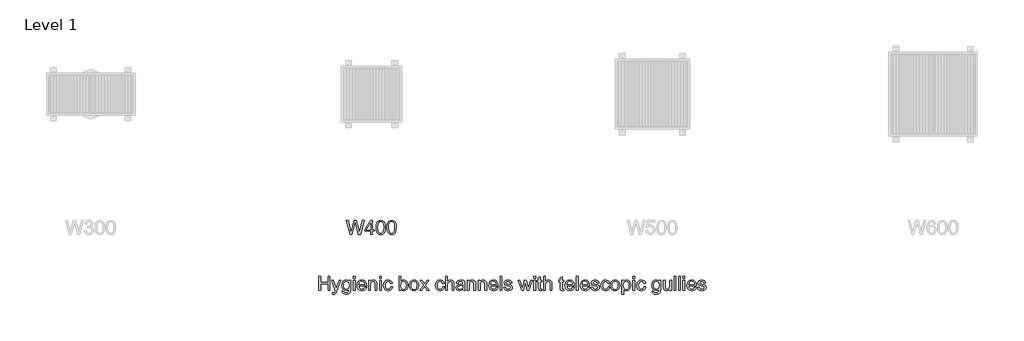
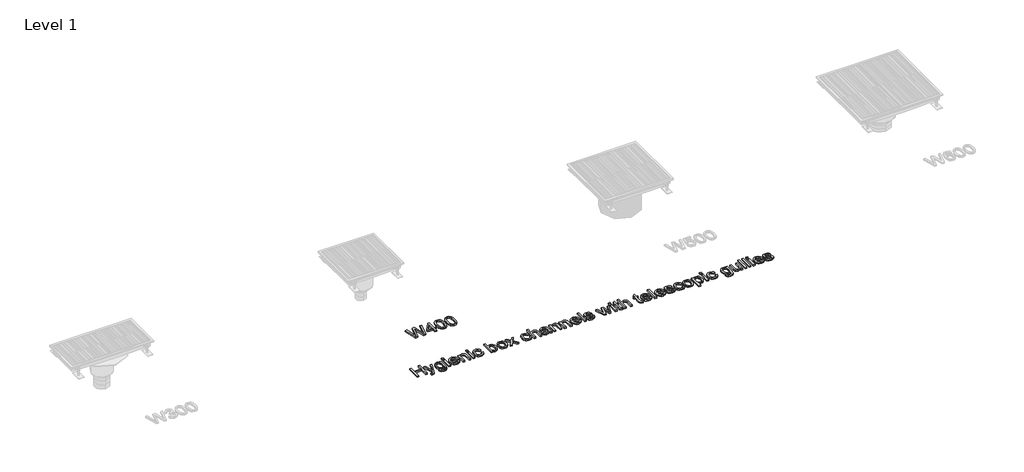
# One storey, part 2 of 4: 2 proxies.
"""IFC4 building model written with IfcOpenShell, lengths in millimetres."""

from ifc_helpers import new_model, si_unit, origin, origin_with_axes, place, context, project, spatial, polyline, outline, extrude, element, save

model = new_model("IFC4")

# Units and contexts
model_context = context("Model", 3, world=origin())
ifc_project = project(units=[si_unit("LENGTHUNIT", "METRE", prefix="MILLI")], contexts=[model_context])

# Site, building, storey
site = spatial("IfcSite", under=ifc_project)
building = spatial("IfcBuilding", under=site)
storey = spatial("IfcBuildingStorey", under=building, Name="Level 1", Elevation=0.0)

# Proxies
placement = place(None, origin())
element("IfcBuildingElementProxy", 1, Name="100mm ACO", ObjectType="100mm ACO", at=placement, inside=storey, context=model_context, shape_type="SweptSolid", body=[
    extrude(outline(polyline([(-297.2222222, -7200.0), (-310.1851852, -7200.0), (-310.1851852, -7151.8518519), (-362.037037, -7151.8518519), (-362.037037, -7200.0), (-375.0, -7200.0), (-375.0, -7100.0), (-362.037037, -7100.0), (-362.037037, -7140.7407407), (-310.1851852, -7140.7407407), (-310.1851852, -7100.0), (-297.2222222, -7100.0), (-297.2222222, -7200.0)])), origin_with_axes(), (0.0, 0.0, 1.0), 10.0),
    extrude(outline(polyline([(-219.4444444, -7127.7777778), (-246.6145833, -7201.9386574), (-255.6568287, -7221.2818287), (-261.7440683, -7226.1537905), (-269.9652778, -7227.7777778), (-277.5462963, -7226.6203704), (-278.7037037, -7216.6666667), (-272.1643519, -7218.5185185), (-263.3101852, -7214.5543981), (-257.4363426, -7201.0706019), (-284.2592593, -7127.7777778), (-272.5405093, -7127.7777778), (-254.9189815, -7173.8715278), (-251.5914352, -7184.8090278), (-246.6724537, -7171.1226852), (-231.1342593, -7127.7777778), (-219.4444444, -7127.7777778)])), origin_with_axes(), (0.0, 0.0, 1.0), 10.0),
    extrude(outline(polyline([(-149.0740741, -7189.3518519), (-152.1267361, -7211.9936343), (-162.9918981, -7223.6255787), (-181.6550926, -7227.7777778), (-192.8710938, -7226.3708044), (-202.0399306, -7222.1498843), (-208.1488715, -7214.7243924), (-210.1851852, -7203.7037037), (-197.2222222, -7205.7581019), (-192.650463, -7215.3211806), (-181.4525463, -7218.5185185), (-168.1423611, -7214.8292824), (-162.9774306, -7205.8449074), (-162.037037, -7191.2326389), (-170.8116319, -7197.8081597), (-181.6261574, -7200.0), (-194.0176505, -7197.3885995), (-203.7037037, -7189.5543981), (-209.9537037, -7177.7416088), (-212.037037, -7163.1944444), (-210.0549769, -7148.5532407), (-204.1087963, -7136.5740741), (-194.6614583, -7128.587963), (-182.1759259, -7125.9259259), (-171.1009838, -7128.3058449), (-162.2974537, -7135.4456019), (-162.037037, -7127.7777778), (-149.0740741, -7127.7777778), (-149.0740741, -7189.3518519)]), holes=[polyline([(-179.6875, -7190.7407407), (-172.4754051, -7189.134838), (-166.1168981, -7184.3171296), (-161.6681134, -7175.7233796), (-160.1851852, -7162.7893519), (-161.5993924, -7151.0018808), (-165.8420139, -7142.3177083), (-172.1679688, -7136.968316), (-179.8321759, -7135.1851852), (-187.5542535, -7137.0117187), (-193.7065972, -7142.4913194), (-197.7322049, -7151.1465567), (-199.0740741, -7162.5), (-197.6671007, -7175.2170139), (-193.4461806, -7183.9699074), (-187.1925637, -7189.0480324), (-179.6875, -7190.7407407)])]), origin_with_axes(), (0.0, 0.0, 1.0), 10.0),
    extrude(outline(polyline([(-117.5925926, -7112.962963), (-130.5555556, -7112.962963), (-130.5555556, -7100.0), (-117.5925926, -7100.0), (-117.5925926, -7112.962963)])), origin_with_axes(), (0.0, 0.0, 1.0), 10.0),
    extrude(outline(polyline([(-117.5925926, -7200.0), (-130.5555556, -7200.0), (-130.5555556, -7127.7777778), (-117.5925926, -7127.7777778), (-117.5925926, -7200.0)])), origin_with_axes(), (0.0, 0.0, 1.0), 10.0),
    extrude(outline(polyline([(-36.1111111, -7166.6666667), (-89.8148148, -7166.6666667), (-87.7423322, -7177.7922454), (-83.0295139, -7185.9375), (-76.2478299, -7190.9288194), (-67.96875, -7192.5925926), (-56.2934028, -7188.9033565), (-49.0740741, -7177.7777778), (-36.1111111, -7179.2824074), (-40.4875579, -7188.9033565), (-47.4247685, -7196.0069444), (-56.6695602, -7200.390625), (-67.96875, -7201.8518519), (-82.5557002, -7199.3453414), (-93.5619213, -7191.8258102), (-100.4738137, -7179.9660012), (-102.7777778, -7164.4386574), (-100.5570023, -7148.900463), (-93.8946759, -7136.6030093), (-83.1958912, -7128.5951968), (-68.8657407, -7125.9259259), (-53.6458333, -7129.3836806), (-41.2181713, -7141.1603009), (-37.3878762, -7151.6963252), (-36.1111111, -7166.6666667)]), holes=[polyline([(-49.0740741, -7157.4074074), (-51.1574074, -7147.2511574), (-55.9027778, -7140.3935185), (-69.1840278, -7135.1851852), (-77.0399306, -7136.7332176), (-83.3622685, -7141.3773148), (-89.8148148, -7157.4074074), (-49.0740741, -7157.4074074)])]), origin_with_axes(), (0.0, 0.0, 1.0), 10.0),
    extrude(outline(polyline([(37.962963, -7200.0), (25.0, -7200.0), (25.0, -7155.0347222), (21.1371528, -7139.4386574), (10.3877315, -7135.1851852), (0.3616898, -7137.9050926), (-6.3512731, -7145.5729167), (-8.3333333, -7159.5775463), (-8.3333333, -7200.0), (-21.2962963, -7200.0), (-21.2962963, -7127.7777778), (-10.1851852, -7127.7777778), (-10.1851852, -7137.818287), (-0.2893519, -7128.8917824), (12.962963, -7125.9259259), (24.3344907, -7127.9803241), (33.130787, -7134.1290509), (37.1383102, -7142.8674769), (37.962963, -7155.4108796), (37.962963, -7200.0)])), origin_with_axes(), (0.0, 0.0, 1.0), 10.0),
    extrude(outline(polyline([(69.4444444, -7200.0), (56.4814815, -7200.0), (56.4814815, -7127.7777778), (69.4444444, -7127.7777778), (69.4444444, -7200.0)])), origin_with_axes(), (0.0, 0.0, 1.0), 10.0),
    extrude(outline(polyline([(69.4444444, -7112.962963), (56.4814815, -7112.962963), (56.4814815, -7100.0), (69.4444444, -7100.0), (69.4444444, -7112.962963)])), origin_with_axes(), (0.0, 0.0, 1.0), 10.0),
    extrude(outline(polyline([(149.0740741, -7175.5497685), (145.0448495, -7187.3553241), (137.8761574, -7195.5150463), (128.551794, -7200.2676505), (118.0555556, -7201.8518519), (103.7398727, -7199.2621528), (93.0844907, -7191.4930556), (86.4655671, -7179.4487847), (84.2592593, -7164.0335648), (89.2939815, -7141.3483796), (101.8952546, -7129.3836806), (117.7951389, -7125.9259259), (137.2540509, -7131.5827546), (143.7897859, -7138.566985), (147.2222222, -7148.2060185), (134.2592593, -7150.0), (128.3564815, -7138.9033565), (117.9398148, -7135.1851852), (108.984375, -7137.0695891), (102.4884259, -7142.7228009), (98.5387731, -7151.7541956), (97.2222222, -7163.7731481), (98.54239, -7176.0018808), (102.5028935, -7185.083912), (108.9518229, -7190.7154225), (117.7372685, -7192.5925926), (130.3385417, -7187.962963), (136.1111111, -7174.0740741), (149.0740741, -7175.5497685)])), origin_with_axes(), (0.0, 0.0, 1.0), 10.0),
    extrude(outline(polyline([(208.5069444, -7134.9247685), (216.869213, -7128.1756366), (227.9513889, -7125.9259259), (240.375434, -7128.4722222), (250.0434028, -7136.1111111), (256.2608507, -7147.8587963), (258.3333333, -7162.7314815), (256.0546875, -7179.4668692), (249.21875, -7191.7679398), (239.3301505, -7199.3308738), (227.8935185, -7201.8518519), (216.8764468, -7199.3778935), (208.59375, -7191.9560185), (208.3333333, -7200.0), (195.3703704, -7200.0), (195.3703704, -7100.0), (208.3333333, -7100.0), (208.5069444, -7134.9247685)]), holes=[polyline([(226.6782407, -7192.5925926), (234.0964988, -7190.7009549), (240.0896991, -7185.0260417), (244.0502025, -7175.9295428), (245.3703704, -7163.7731481), (240.5092593, -7142.896412), (234.7222222, -7137.1129919), (227.0833333, -7135.1851852), (219.458912, -7137.1744792), (213.4837963, -7143.1423611), (208.3333333, -7163.28125), (210.474537, -7180.2372685), (216.9270833, -7188.9322917), (226.6782407, -7192.5925926)])]), origin_with_axes(), (0.0, 0.0, 1.0), 10.0),
    extrude(outline(polyline([(302.7488426, -7125.9259259), (315.9252025, -7128.3203125), (326.634838, -7135.5034722), (333.7420428, -7147.0992477), (336.1111111, -7162.7314815), (333.5467303, -7181.0040509), (325.853588, -7192.9976852), (314.94864, -7199.6383102), (302.7488426, -7201.8518519), (290.1584201, -7199.5768229), (279.3547454, -7192.7517361), (271.9220197, -7180.9859664), (269.4444444, -7163.8888889), (271.838831, -7147.1715856), (279.0219907, -7135.3298611), (289.7424769, -7128.2769097), (302.7488426, -7125.9259259)]), holes=[polyline([(302.7488426, -7192.5925926), (311.5559896, -7190.5852141), (317.9542824, -7184.5630787), (323.1481481, -7163.4259259), (321.6796875, -7151.1429398), (317.2743056, -7142.3032407), (310.7060185, -7136.9646991), (302.7488426, -7135.1851852), (294.63614, -7136.9900174), (288.1221065, -7142.4045139), (283.8360822, -7151.3925058), (282.4074074, -7163.9178241), (283.8614005, -7176.3997396), (288.2233796, -7185.3732639), (294.7627315, -7190.7877604), (302.7488426, -7192.5925926)])]), origin_with_axes(), (0.0, 0.0, 1.0), 10.0),
    extrude(outline(polyline([(410.1851852, -7200.0), (397.1354167, -7200.0), (376.880787, -7171.7013889), (356.6261574, -7200.0), (343.5185185, -7200.0), (370.2835648, -7162.5868056), (345.3703704, -7127.7777778), (358.4201389, -7127.7777778), (376.8229167, -7153.443287), (395.1967593, -7127.7777778), (408.3333333, -7127.7777778), (383.3912037, -7162.6157407), (410.1851852, -7200.0)])), origin_with_axes(), (0.0, 0.0, 1.0), 10.0),
    extrude(outline(polyline([(519.4444444, -7175.5497685), (515.4152199, -7187.3553241), (508.2465278, -7195.5150463), (498.9221644, -7200.2676505), (488.4259259, -7201.8518519), (474.1102431, -7199.2621528), (463.4548611, -7191.4930556), (456.8359375, -7179.4487847), (454.6296296, -7164.0335648), (459.6643519, -7141.3483796), (472.265625, -7129.3836806), (488.1655093, -7125.9259259), (507.6244213, -7131.5827546), (514.1601562, -7138.566985), (517.5925926, -7148.2060185), (504.6296296, -7150.0), (498.7268519, -7138.9033565), (488.3101852, -7135.1851852), (479.3547454, -7137.0695891), (472.8587963, -7142.7228009), (468.9091435, -7151.7541956), (467.5925926, -7163.7731481), (468.9127604, -7176.0018808), (472.8732639, -7185.083912), (479.3221933, -7190.7154225), (488.1076389, -7192.5925926), (500.708912, -7187.962963), (506.4814815, -7174.0740741), (519.4444444, -7175.5497685)])), origin_with_axes(), (0.0, 0.0, 1.0), 10.0),
    extrude(outline(polyline([(586.1111111, -7200.0), (573.1481481, -7200.0), (573.1481481, -7153.2986111), (569.458912, -7139.7135417), (558.4490741, -7135.1851852), (545.5150463, -7140.5237269), (541.2398727, -7147.9564525), (539.8148148, -7159.5775463), (539.8148148, -7200.0), (526.8518519, -7200.0), (526.8518519, -7100.0), (539.8148148, -7100.0), (539.8148148, -7135.8217593), (549.5153356, -7128.3998843), (561.3715278, -7125.9259259), (574.6527778, -7128.7905093), (583.5503472, -7137.6012731), (586.1111111, -7154.1087963), (586.1111111, -7200.0)])), origin_with_axes(), (0.0, 0.0, 1.0), 10.0),
    extrude(outline(polyline([(667.5925926, -7200.0), (654.6296296, -7200.0), (650.9259259, -7191.2615741), (638.4331597, -7199.2042824), (624.9710648, -7201.8518519), (614.984809, -7200.4050926), (607.3640046, -7196.0648148), (602.5354456, -7189.3518519), (600.9259259, -7180.787037), (602.5028935, -7172.479022), (607.2337963, -7165.7841435), (615.8637153, -7160.8904803), (629.1377315, -7157.9861111), (640.4803241, -7156.25), (650.9259259, -7153.7037037), (650.5931713, -7145.6741898), (648.6545139, -7140.7986111), (643.4895833, -7136.7332176), (633.912037, -7135.1851852), (621.8315972, -7138.3246528), (615.7407407, -7150.0), (602.7777778, -7148.4085648), (606.3331887, -7138.599537), (613.0063657, -7131.568287), (622.7900752, -7127.3365162), (635.6770833, -7125.9259259), (654.9334491, -7129.7887731), (662.4855324, -7139.1059028), (663.8888889, -7153.1539352), (663.8888889, -7169.6759259), (664.4386574, -7189.9305556), (667.5925926, -7200.0)]), holes=[polyline([(650.9259259, -7167.5925926), (650.9259259, -7162.962963), (627.6475694, -7168.287037), (617.328559, -7172.3451968), (613.8888889, -7180.5844907), (617.5925926, -7189.2071759), (628.2696759, -7192.5925926), (644.0827546, -7186.9212963), (649.2151331, -7179.2534722), (650.9259259, -7167.5925926)])]), origin_with_axes(), (0.0, 0.0, 1.0), 10.0),
    extrude(outline(polyline([(741.6666667, -7200.0), (728.7037037, -7200.0), (728.7037037, -7155.0347222), (724.8408565, -7139.4386574), (714.0914352, -7135.1851852), (704.0653935, -7137.9050926), (697.3524306, -7145.5729167), (695.3703704, -7159.5775463), (695.3703704, -7200.0), (682.4074074, -7200.0), (682.4074074, -7127.7777778), (693.5185185, -7127.7777778), (693.5185185, -7137.818287), (703.4143519, -7128.8917824), (716.6666667, -7125.9259259), (728.0381944, -7127.9803241), (736.8344907, -7134.1290509), (740.8420139, -7142.8674769), (741.6666667, -7155.4108796), (741.6666667, -7200.0)])), origin_with_axes(), (0.0, 0.0, 1.0), 10.0),
    extrude(outline(polyline([(819.4444444, -7200.0), (806.4814815, -7200.0), (806.4814815, -7155.0347222), (802.6186343, -7139.4386574), (791.869213, -7135.1851852), (781.8431713, -7137.9050926), (775.1302083, -7145.5729167), (773.1481481, -7159.5775463), (773.1481481, -7200.0), (760.1851852, -7200.0), (760.1851852, -7127.7777778), (771.2962963, -7127.7777778), (771.2962963, -7137.818287), (781.1921296, -7128.8917824), (794.4444444, -7125.9259259), (805.8159722, -7127.9803241), (814.6122685, -7134.1290509), (818.6197917, -7142.8674769), (819.4444444, -7155.4108796), (819.4444444, -7200.0)])), origin_with_axes(), (0.0, 0.0, 1.0), 10.0),
    extrude(outline(polyline([(900.9259259, -7166.6666667), (847.2222222, -7166.6666667), (849.2947049, -7177.7922454), (854.0075231, -7185.9375), (860.7892072, -7190.9288194), (869.068287, -7192.5925926), (880.7436343, -7188.9033565), (887.962963, -7177.7777778), (900.9259259, -7179.2824074), (896.5494792, -7188.9033565), (889.6122685, -7196.0069444), (880.3674769, -7200.390625), (869.068287, -7201.8518519), (854.4813368, -7199.3453414), (843.4751157, -7191.8258102), (836.5632234, -7179.9660012), (834.2592593, -7164.4386574), (836.4800347, -7148.900463), (843.1423611, -7136.6030093), (853.8411458, -7128.5951968), (868.1712963, -7125.9259259), (883.3912037, -7129.3836806), (895.8188657, -7141.1603009), (899.6491609, -7151.6963252), (900.9259259, -7166.6666667)]), holes=[polyline([(887.962963, -7157.4074074), (885.8796296, -7147.2511574), (881.1342593, -7140.3935185), (867.8530093, -7135.1851852), (859.9971065, -7136.7332176), (853.6747685, -7141.3773148), (847.2222222, -7157.4074074), (887.962963, -7157.4074074)])]), origin_with_axes(), (0.0, 0.0, 1.0), 10.0),
    extrude(outline(polyline([(928.7037037, -7200.0), (915.7407407, -7200.0), (915.7407407, -7100.0), (928.7037037, -7100.0), (928.7037037, -7200.0)])), origin_with_axes(), (0.0, 0.0, 1.0), 10.0),
    extrude(outline(polyline([(987.962963, -7148.1481481), (983.1741898, -7138.4259259), (972.1064815, -7135.1851852), (960.7928241, -7137.962963), (956.4814815, -7146.0358796), (959.3315972, -7153.1828704), (972.7719907, -7157.0601852), (990.4947917, -7161.2268519), (999.537037, -7167.5491898), (1002.7777778, -7178.8773148), (1000.7667824, -7187.8074363), (994.7337963, -7195.2112269), (985.3370949, -7200.1916956), (973.2349537, -7201.8518519), (960.760272, -7200.4557292), (951.3454861, -7196.2673611), (944.9833623, -7189.2939815), (941.6666667, -7179.5428241), (954.6296296, -7177.7777778), (960.228588, -7188.9033565), (973.2349537, -7192.5925926), (985.5324074, -7188.7586806), (989.8148148, -7179.4270833), (987.890625, -7173.4519676), (983.0873843, -7170.0810185), (969.5023148, -7167.1875), (948.5677083, -7159.375), (943.5185185, -7146.7881944), (945.3884549, -7138.5018808), (950.9982639, -7131.8142361), (959.7692419, -7127.3980035), (971.1226852, -7125.9259259), (983.0548322, -7127.2135417), (991.9994213, -7131.0763889), (997.9564525, -7137.5072338), (1000.9259259, -7146.4988426), (987.962963, -7148.1481481)])), origin_with_axes(), (0.0, 0.0, 1.0), 10.0),
    extrude(outline(polyline([(1143.9814815, -7127.7777778), (1119.7627315, -7200.0), (1107.494213, -7200.0), (1096.9907407, -7156.5972222), (1095.6886574, -7150.7378472), (1094.4444444, -7144.3287037), (1081.6840278, -7200.0), (1069.4444444, -7200.0), (1044.9074074, -7127.7777778), (1056.4525463, -7127.7777778), (1074.0740741, -7185.0115741), (1076.1863426, -7175.2604167), (1087.2106481, -7127.7777778), (1101.7939815, -7127.7777778), (1110.5324074, -7165.6539352), (1114.5833333, -7183.4490741), (1132.4363426, -7127.7777778), (1143.9814815, -7127.7777778)])), origin_with_axes(), (0.0, 0.0, 1.0), 10.0),
    extrude(outline(polyline([(1167.5925926, -7112.962963), (1154.6296296, -7112.962963), (1154.6296296, -7100.0), (1167.5925926, -7100.0), (1167.5925926, -7112.962963)])), origin_with_axes(), (0.0, 0.0, 1.0), 10.0),
    extrude(outline(polyline([(1167.5925926, -7200.0), (1154.6296296, -7200.0), (1154.6296296, -7127.7777778), (1167.5925926, -7127.7777778), (1167.5925926, -7200.0)])), origin_with_axes(), (0.0, 0.0, 1.0), 10.0),
    extrude(outline(polyline([(1213.8888889, -7201.0127315), (1204.8032407, -7201.8518519), (1193.2146991, -7198.9728009), (1188.7731481, -7191.6666667), (1187.962963, -7179.3402778), (1187.962963, -7137.037037), (1178.7037037, -7137.037037), (1178.7037037, -7127.7777778), (1187.962963, -7127.7777778), (1187.962963, -7109.4328704), (1200.9259259, -7101.8518519), (1200.9259259, -7127.7777778), (1212.037037, -7127.7777778), (1212.037037, -7137.037037), (1200.9259259, -7137.037037), (1200.9259259, -7181.9444444), (1201.9675926, -7190.162037), (1207.2627315, -7192.5925926), (1212.2974537, -7192.5925926), (1213.8888889, -7201.0127315)])), origin_with_axes(), (0.0, 0.0, 1.0), 10.0),
    extrude(outline(polyline([(1284.2592593, -7200.0), (1271.2962963, -7200.0), (1271.2962963, -7153.2986111), (1267.6070602, -7139.7135417), (1256.5972222, -7135.1851852), (1243.6631944, -7140.5237269), (1239.3880208, -7147.9564525), (1237.962963, -7159.5775463), (1237.962963, -7200.0), (1225.0, -7200.0), (1225.0, -7100.0), (1237.962963, -7100.0), (1237.962963, -7135.8217593), (1247.6634838, -7128.3998843), (1259.5196759, -7125.9259259), (1272.8009259, -7128.7905093), (1281.6984954, -7137.6012731), (1284.2592593, -7154.1087963), (1284.2592593, -7200.0)])), origin_with_axes(), (0.0, 0.0, 1.0), 10.0),
    extrude(outline(polyline([(1369.4444444, -7201.0127315), (1360.3587963, -7201.8518519), (1348.7702546, -7198.9728009), (1344.3287037, -7191.6666667), (1343.5185185, -7179.3402778), (1343.5185185, -7137.037037), (1334.2592593, -7137.037037), (1334.2592593, -7127.7777778), (1343.5185185, -7127.7777778), (1343.5185185, -7109.4328704), (1356.4814815, -7101.8518519), (1356.4814815, -7127.7777778), (1367.5925926, -7127.7777778), (1367.5925926, -7137.037037), (1356.4814815, -7137.037037), (1356.4814815, -7181.9444444), (1357.5231481, -7190.162037), (1362.818287, -7192.5925926), (1367.8530093, -7192.5925926), (1369.4444444, -7201.0127315)])), origin_with_axes(), (0.0, 0.0, 1.0), 10.0),
    extrude(outline(polyline([(1443.5185185, -7166.6666667), (1389.8148148, -7166.6666667), (1391.8872975, -7177.7922454), (1396.6001157, -7185.9375), (1403.3817998, -7190.9288194), (1411.6608796, -7192.5925926), (1423.3362269, -7188.9033565), (1430.5555556, -7177.7777778), (1443.5185185, -7179.2824074), (1439.1420718, -7188.9033565), (1432.2048611, -7196.0069444), (1422.9600694, -7200.390625), (1411.6608796, -7201.8518519), (1397.0739294, -7199.3453414), (1386.0677083, -7191.8258102), (1379.155816, -7179.9660012), (1376.8518519, -7164.4386574), (1379.0726273, -7148.900463), (1385.7349537, -7136.6030093), (1396.4337384, -7128.5951968), (1410.7638889, -7125.9259259), (1425.9837963, -7129.3836806), (1438.4114583, -7141.1603009), (1442.2417535, -7151.6963252), (1443.5185185, -7166.6666667)]), holes=[polyline([(1430.5555556, -7157.4074074), (1428.4722222, -7147.2511574), (1423.7268519, -7140.3935185), (1410.4456019, -7135.1851852), (1402.5896991, -7136.7332176), (1396.2673611, -7141.3773148), (1389.8148148, -7157.4074074), (1430.5555556, -7157.4074074)])]), origin_with_axes(), (0.0, 0.0, 1.0), 10.0),
    extrude(outline(polyline([(1471.2962963, -7200.0), (1458.3333333, -7200.0), (1458.3333333, -7100.0), (1471.2962963, -7100.0), (1471.2962963, -7200.0)])), origin_with_axes(), (0.0, 0.0, 1.0), 10.0),
    extrude(outline(polyline([(1552.7777778, -7166.6666667), (1499.0740741, -7166.6666667), (1501.1465567, -7177.7922454), (1505.859375, -7185.9375), (1512.641059, -7190.9288194), (1520.9201389, -7192.5925926), (1532.5954861, -7188.9033565), (1539.8148148, -7177.7777778), (1552.7777778, -7179.2824074), (1548.401331, -7188.9033565), (1541.4641204, -7196.0069444), (1532.2193287, -7200.390625), (1520.9201389, -7201.8518519), (1506.3331887, -7199.3453414), (1495.3269676, -7191.8258102), (1488.4150752, -7179.9660012), (1486.1111111, -7164.4386574), (1488.3318866, -7148.900463), (1494.994213, -7136.6030093), (1505.6929977, -7128.5951968), (1520.0231481, -7125.9259259), (1535.2430556, -7129.3836806), (1547.6707176, -7141.1603009), (1551.5010127, -7151.6963252), (1552.7777778, -7166.6666667)]), holes=[polyline([(1539.8148148, -7157.4074074), (1537.7314815, -7147.2511574), (1532.9861111, -7140.3935185), (1519.7048611, -7135.1851852), (1511.8489583, -7136.7332176), (1505.5266204, -7141.3773148), (1499.0740741, -7157.4074074), (1539.8148148, -7157.4074074)])]), origin_with_axes(), (0.0, 0.0, 1.0), 10.0),
    extrude(outline(polyline([(1608.3333333, -7148.1481481), (1603.5445602, -7138.4259259), (1592.4768519, -7135.1851852), (1581.1631944, -7137.962963), (1576.8518519, -7146.0358796), (1579.7019676, -7153.1828704), (1593.1423611, -7157.0601852), (1610.865162, -7161.2268519), (1619.9074074, -7167.5491898), (1623.1481481, -7178.8773148), (1621.1371528, -7187.8074363), (1615.1041667, -7195.2112269), (1605.7074653, -7200.1916956), (1593.6053241, -7201.8518519), (1581.1306424, -7200.4557292), (1571.7158565, -7196.2673611), (1565.3537326, -7189.2939815), (1562.037037, -7179.5428241), (1575.0, -7177.7777778), (1580.5989583, -7188.9033565), (1593.6053241, -7192.5925926), (1605.9027778, -7188.7586806), (1610.1851852, -7179.4270833), (1608.2609954, -7173.4519676), (1603.4577546, -7170.0810185), (1589.8726852, -7167.1875), (1568.9380787, -7159.375), (1563.8888889, -7146.7881944), (1565.7588252, -7138.5018808), (1571.3686343, -7131.8142361), (1580.1396123, -7127.3980035), (1591.4930556, -7125.9259259), (1603.4252025, -7127.2135417), (1612.3697917, -7131.0763889), (1618.3268229, -7137.5072338), (1621.2962963, -7146.4988426), (1608.3333333, -7148.1481481)])), origin_with_axes(), (0.0, 0.0, 1.0), 10.0),
    extrude(outline(polyline([(1697.2222222, -7175.5497685), (1693.1929977, -7187.3553241), (1686.0243056, -7195.5150463), (1676.6999421, -7200.2676505), (1666.2037037, -7201.8518519), (1651.8880208, -7199.2621528), (1641.2326389, -7191.4930556), (1634.6137153, -7179.4487847), (1632.4074074, -7164.0335648), (1637.4421296, -7141.3483796), (1650.0434028, -7129.3836806), (1665.943287, -7125.9259259), (1685.4021991, -7131.5827546), (1691.937934, -7138.566985), (1695.3703704, -7148.2060185), (1682.4074074, -7150.0), (1676.5046296, -7138.9033565), (1666.087963, -7135.1851852), (1657.1325231, -7137.0695891), (1650.6365741, -7142.7228009), (1646.6869213, -7151.7541956), (1645.3703704, -7163.7731481), (1646.6905382, -7176.0018808), (1650.6510417, -7185.083912), (1657.0999711, -7190.7154225), (1665.8854167, -7192.5925926), (1678.4866898, -7187.962963), (1684.2592593, -7174.0740741), (1697.2222222, -7175.5497685)])), origin_with_axes(), (0.0, 0.0, 1.0), 10.0),
    extrude(outline(polyline([(1734.2303241, -7125.9259259), (1747.406684, -7128.3203125), (1758.1163194, -7135.5034722), (1765.2235243, -7147.0992477), (1767.5925926, -7162.7314815), (1765.0282118, -7181.0040509), (1757.3350694, -7192.9976852), (1746.4301215, -7199.6383102), (1734.2303241, -7201.8518519), (1721.6399016, -7199.5768229), (1710.8362269, -7192.7517361), (1703.4035012, -7180.9859664), (1700.9259259, -7163.8888889), (1703.3203125, -7147.1715856), (1710.5034722, -7135.3298611), (1721.2239583, -7128.2769097), (1734.2303241, -7125.9259259)]), holes=[polyline([(1734.2303241, -7192.5925926), (1743.0374711, -7190.5852141), (1749.4357639, -7184.5630787), (1754.6296296, -7163.4259259), (1753.161169, -7151.1429398), (1748.755787, -7142.3032407), (1742.1875, -7136.9646991), (1734.2303241, -7135.1851852), (1726.1176215, -7136.9900174), (1719.603588, -7142.4045139), (1715.3175637, -7151.3925058), (1713.8888889, -7163.9178241), (1715.3428819, -7176.3997396), (1719.7048611, -7185.3732639), (1726.244213, -7190.7877604), (1734.2303241, -7192.5925926)])]), origin_with_axes(), (0.0, 0.0, 1.0), 10.0),
    extrude(outline(polyline([(1795.5005787, -7136.4872685), (1803.9568866, -7128.5662616), (1815.625, -7125.9259259), (1827.9513889, -7128.515625), (1837.3842593, -7136.2847222), (1843.3738426, -7148.2132523), (1845.3703704, -7163.28125), (1843.1134259, -7179.1702836), (1836.3425926, -7191.4207176), (1826.2876157, -7199.2440683), (1814.1782407, -7201.8518519), (1803.8049769, -7199.7251157), (1795.7175926, -7193.3449074), (1795.3703704, -7227.7777778), (1782.4074074, -7227.7777778), (1782.4074074, -7127.7777778), (1795.3703704, -7127.7777778), (1795.5005787, -7136.4872685)]), holes=[polyline([(1812.7604167, -7192.5925926), (1820.5331308, -7190.766059), (1826.8373843, -7185.2864583), (1831.0149016, -7176.1899595), (1832.4074074, -7163.5127315), (1831.0655382, -7151.4359086), (1827.0399306, -7142.5202546), (1820.9237558, -7137.0189525), (1813.3101852, -7135.1851852), (1805.4289641, -7137.2287326), (1799.0885417, -7143.359375), (1794.9110243, -7152.7452257), (1793.5185185, -7164.5543981), (1794.8531539, -7176.66739), (1798.8570602, -7185.4600694), (1805.0021701, -7190.8094618), (1812.7604167, -7192.5925926)])]), origin_with_axes(), (0.0, 0.0, 1.0), 10.0),
    extrude(outline(polyline([(1873.1481481, -7112.962963), (1860.1851852, -7112.962963), (1860.1851852, -7100.0), (1873.1481481, -7100.0), (1873.1481481, -7112.962963)])), origin_with_axes(), (0.0, 0.0, 1.0), 10.0),
    extrude(outline(polyline([(1873.1481481, -7200.0), (1860.1851852, -7200.0), (1860.1851852, -7127.7777778), (1873.1481481, -7127.7777778), (1873.1481481, -7200.0)])), origin_with_axes(), (0.0, 0.0, 1.0), 10.0),
    extrude(outline(polyline([(1952.7777778, -7175.5497685), (1948.7485532, -7187.3553241), (1941.5798611, -7195.5150463), (1932.2554977, -7200.2676505), (1921.7592593, -7201.8518519), (1907.4435764, -7199.2621528), (1896.7881944, -7191.4930556), (1890.1692708, -7179.4487847), (1887.962963, -7164.0335648), (1892.9976852, -7141.3483796), (1905.5989583, -7129.3836806), (1921.4988426, -7125.9259259), (1940.9577546, -7131.5827546), (1947.4934896, -7138.566985), (1950.9259259, -7148.2060185), (1937.962963, -7150.0), (1932.0601852, -7138.9033565), (1921.6435185, -7135.1851852), (1912.6880787, -7137.0695891), (1906.1921296, -7142.7228009), (1902.2424769, -7151.7541956), (1900.9259259, -7163.7731481), (1902.2460937, -7176.0018808), (1906.2065972, -7185.083912), (1912.6555266, -7190.7154225), (1921.4409722, -7192.5925926), (1934.0422454, -7187.962963), (1939.8148148, -7174.0740741), (1952.7777778, -7175.5497685)])), origin_with_axes(), (0.0, 0.0, 1.0), 10.0),
    extrude(outline(polyline([(2058.3333333, -7189.3518519), (2055.2806713, -7211.9936343), (2044.4155093, -7223.6255787), (2025.7523148, -7227.7777778), (2014.5363137, -7226.3708044), (2005.3674769, -7222.1498843), (1999.2585359, -7214.7243924), (1997.2222222, -7203.7037037), (2010.1851852, -7205.7581019), (2014.7569444, -7215.3211806), (2025.9548611, -7218.5185185), (2039.2650463, -7214.8292824), (2044.4299769, -7205.8449074), (2045.3703704, -7191.2326389), (2036.5957755, -7197.8081597), (2025.78125, -7200.0), (2013.3897569, -7197.3885995), (2003.7037037, -7189.5543981), (1997.4537037, -7177.7416088), (1995.3703704, -7163.1944444), (1997.3524306, -7148.5532407), (2003.2986111, -7136.5740741), (2012.7459491, -7128.587963), (2025.2314815, -7125.9259259), (2036.3064236, -7128.3058449), (2045.1099537, -7135.4456019), (2045.3703704, -7127.7777778), (2058.3333333, -7127.7777778), (2058.3333333, -7189.3518519)]), holes=[polyline([(2027.7199074, -7190.7407407), (2034.9320023, -7189.134838), (2041.2905093, -7184.3171296), (2045.739294, -7175.7233796), (2047.2222222, -7162.7893519), (2045.808015, -7151.0018808), (2041.5653935, -7142.3177083), (2035.2394387, -7136.968316), (2027.5752315, -7135.1851852), (2019.8531539, -7137.0117187), (2013.7008102, -7142.4913194), (2009.6752025, -7151.1465567), (2008.3333333, -7162.5), (2009.7403067, -7175.2170139), (2013.9612269, -7183.9699074), (2020.2148437, -7189.0480324), (2027.7199074, -7190.7407407)])]), origin_with_axes(), (0.0, 0.0, 1.0), 10.0),
    extrude(outline(polyline([(2136.1111111, -7200.0), (2125.0, -7200.0), (2125.0, -7189.4965278), (2114.7569444, -7198.7630208), (2101.7939815, -7201.8518519), (2087.6736111, -7198.3362269), (2079.0219907, -7188.6574074), (2076.8518519, -7172.65625), (2076.8518519, -7127.7777778), (2089.8148148, -7127.7777778), (2089.8148148, -7168.75), (2090.7118056, -7182.8414352), (2095.3993056, -7189.84375), (2104.4270833, -7192.5925926), (2117.1730324, -7187.6736111), (2121.6543692, -7180.1215278), (2123.1481481, -7167.3032407), (2123.1481481, -7127.7777778), (2136.1111111, -7127.7777778), (2136.1111111, -7200.0)])), origin_with_axes(), (0.0, 0.0, 1.0), 10.0),
    extrude(outline(polyline([(2167.5925926, -7200.0), (2154.6296296, -7200.0), (2154.6296296, -7100.0), (2167.5925926, -7100.0), (2167.5925926, -7200.0)])), origin_with_axes(), (0.0, 0.0, 1.0), 10.0),
    extrude(outline(polyline([(2199.0740741, -7200.0), (2186.1111111, -7200.0), (2186.1111111, -7100.0), (2199.0740741, -7100.0), (2199.0740741, -7200.0)])), origin_with_axes(), (0.0, 0.0, 1.0), 10.0),
    extrude(outline(polyline([(2230.5555556, -7112.962963), (2217.5925926, -7112.962963), (2217.5925926, -7100.0), (2230.5555556, -7100.0), (2230.5555556, -7112.962963)])), origin_with_axes(), (0.0, 0.0, 1.0), 10.0),
    extrude(outline(polyline([(2230.5555556, -7200.0), (2217.5925926, -7200.0), (2217.5925926, -7127.7777778), (2230.5555556, -7127.7777778), (2230.5555556, -7200.0)])), origin_with_axes(), (0.0, 0.0, 1.0), 10.0),
    extrude(outline(polyline([(2312.037037, -7166.6666667), (2258.3333333, -7166.6666667), (2260.405816, -7177.7922454), (2265.1186343, -7185.9375), (2271.9003183, -7190.9288194), (2280.1793981, -7192.5925926), (2291.8547454, -7188.9033565), (2299.0740741, -7177.7777778), (2312.037037, -7179.2824074), (2307.6605903, -7188.9033565), (2300.7233796, -7196.0069444), (2291.478588, -7200.390625), (2280.1793981, -7201.8518519), (2265.5924479, -7199.3453414), (2254.5862269, -7191.8258102), (2247.6743345, -7179.9660012), (2245.3703704, -7164.4386574), (2247.5911458, -7148.900463), (2254.2534722, -7136.6030093), (2264.9522569, -7128.5951968), (2279.2824074, -7125.9259259), (2294.5023148, -7129.3836806), (2306.9299769, -7141.1603009), (2310.760272, -7151.6963252), (2312.037037, -7166.6666667)]), holes=[polyline([(2299.0740741, -7157.4074074), (2296.9907407, -7147.2511574), (2292.2453704, -7140.3935185), (2278.9641204, -7135.1851852), (2271.1082176, -7136.7332176), (2264.7858796, -7141.3773148), (2258.3333333, -7157.4074074), (2299.0740741, -7157.4074074)])]), origin_with_axes(), (0.0, 0.0, 1.0), 10.0),
    extrude(outline(polyline([(2367.5925926, -7148.1481481), (2362.8038194, -7138.4259259), (2351.7361111, -7135.1851852), (2340.4224537, -7137.962963), (2336.1111111, -7146.0358796), (2338.9612269, -7153.1828704), (2352.4016204, -7157.0601852), (2370.1244213, -7161.2268519), (2379.1666667, -7167.5491898), (2382.4074074, -7178.8773148), (2380.396412, -7187.8074363), (2374.3634259, -7195.2112269), (2364.9667245, -7200.1916956), (2352.8645833, -7201.8518519), (2340.3899016, -7200.4557292), (2330.9751157, -7196.2673611), (2324.6129919, -7189.2939815), (2321.2962963, -7179.5428241), (2334.2592593, -7177.7777778), (2339.8582176, -7188.9033565), (2352.8645833, -7192.5925926), (2365.162037, -7188.7586806), (2369.4444444, -7179.4270833), (2367.5202546, -7173.4519676), (2362.7170139, -7170.0810185), (2349.1319444, -7167.1875), (2328.197338, -7159.375), (2323.1481481, -7146.7881944), (2325.0180845, -7138.5018808), (2330.6278935, -7131.8142361), (2339.3988715, -7127.3980035), (2350.7523148, -7125.9259259), (2362.6844618, -7127.2135417), (2371.6290509, -7131.0763889), (2377.5860822, -7137.5072338), (2380.5555556, -7146.4988426), (2367.5925926, -7148.1481481)])), origin_with_axes(), (0.0, 0.0, 1.0), 10.0),
])
element("IfcBuildingElementProxy", 2, Name="100mm ACO", ObjectType="100mm ACO", at=placement, inside=storey, context=model_context, shape_type="SweptSolid", body=[
    extrude(outline(polyline([(-51.8518519, -6700.0), (-78.0092593, -6800.0), (-93.8657407, -6800.0), (-113.744213, -6721.1516204), (-115.7407407, -6711.9502315), (-118.75, -6723.8136574), (-139.6990741, -6800.0), (-153.587963, -6800.0), (-179.6296296, -6700.0), (-166.3194444, -6700.0), (-151.1863426, -6765.6828704), (-147.3668981, -6784.6643519), (-142.7083333, -6767.505787), (-123.8425926, -6700.0), (-107.494213, -6700.0), (-93.8078704, -6750.6076389), (-86.3715278, -6786.1111111), (-81.25, -6764.3229167), (-65.2199074, -6700.0), (-51.8518519, -6700.0)])), origin_with_axes(), (0.0, 0.0, 1.0), 10.0),
    extrude(outline(polyline([(18.5185185, -6775.9259259), (5.5555556, -6775.9259259), (5.5555556, -6800.0), (-7.4074074, -6800.0), (-7.4074074, -6775.9259259), (-50.0, -6775.9259259), (-50.0, -6766.6666667), (-5.0925926, -6701.8518519), (5.5555556, -6701.8518519), (5.5555556, -6766.6666667), (18.5185185, -6766.6666667), (18.5185185, -6775.9259259)]), holes=[polyline([(-7.4074074, -6766.6666667), (-7.4074074, -6720.775463), (-39.1782407, -6766.6666667), (-7.4074074, -6766.6666667)])]), origin_with_axes(), (0.0, 0.0, 1.0), 10.0),
    extrude(outline(polyline([(64.7858796, -6700.0), (79.3818721, -6703.1864873), (89.807581, -6712.7459491), (96.0630064, -6728.6783854), (98.1481481, -6750.9837963), (95.9924769, -6773.4555845), (89.525463, -6789.3084491), (79.0292245, -6798.7160012), (64.7858796, -6801.8518519), (50.2152054, -6798.6725984), (39.807581, -6789.134838), (33.5630064, -6773.2385706), (31.4814815, -6750.9837963), (33.6371528, -6728.515625), (40.1041667, -6712.6157407), (50.5859375, -6703.1539352), (64.7858796, -6700.0)]), holes=[polyline([(64.8148148, -6792.5925926), (73.6545139, -6790.1584201), (80.0347222, -6782.8559028), (83.8975694, -6770.0195312), (85.1851852, -6750.9837963), (82.9282407, -6726.7650463), (76.1140046, -6713.599537), (64.6701389, -6709.2592593), (55.8485243, -6711.7368345), (49.5225694, -6719.1695602), (45.7139757, -6732.0782697), (44.4444444, -6750.9837963), (46.7447917, -6775.0434028), (53.5590278, -6788.2523148), (64.8148148, -6792.5925926)])]), origin_with_axes(), (0.0, 0.0, 1.0), 10.0),
    extrude(outline(polyline([(142.5636574, -6700.0), (157.1596499, -6703.1864873), (167.5853588, -6712.7459491), (173.8407841, -6728.6783854), (175.9259259, -6750.9837963), (173.7702546, -6773.4555845), (167.3032407, -6789.3084491), (156.8070023, -6798.7160012), (142.5636574, -6801.8518519), (127.9929832, -6798.6725984), (117.5853588, -6789.134838), (111.3407841, -6773.2385706), (109.2592593, -6750.9837963), (111.4149306, -6728.515625), (117.8819444, -6712.6157407), (128.3637153, -6703.1539352), (142.5636574, -6700.0)]), holes=[polyline([(142.5925926, -6792.5925926), (151.4322917, -6790.1584201), (157.8125, -6782.8559028), (161.6753472, -6770.0195312), (162.962963, -6750.9837963), (160.7060185, -6726.7650463), (153.8917824, -6713.599537), (142.4479167, -6709.2592593), (133.6263021, -6711.7368345), (127.3003472, -6719.1695602), (123.4917535, -6732.0782697), (122.2222222, -6750.9837963), (124.5225694, -6775.0434028), (131.3368056, -6788.2523148), (142.5925926, -6792.5925926)])]), origin_with_axes(), (0.0, 0.0, 1.0), 10.0),
])

save(model, "model.ifc")
